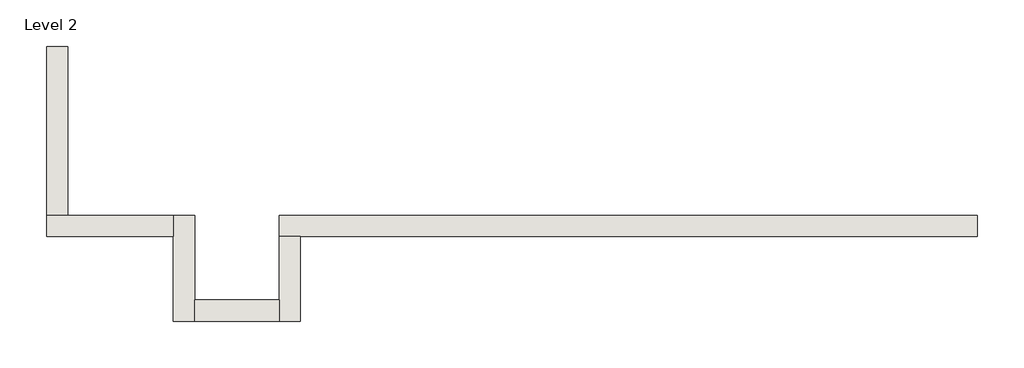
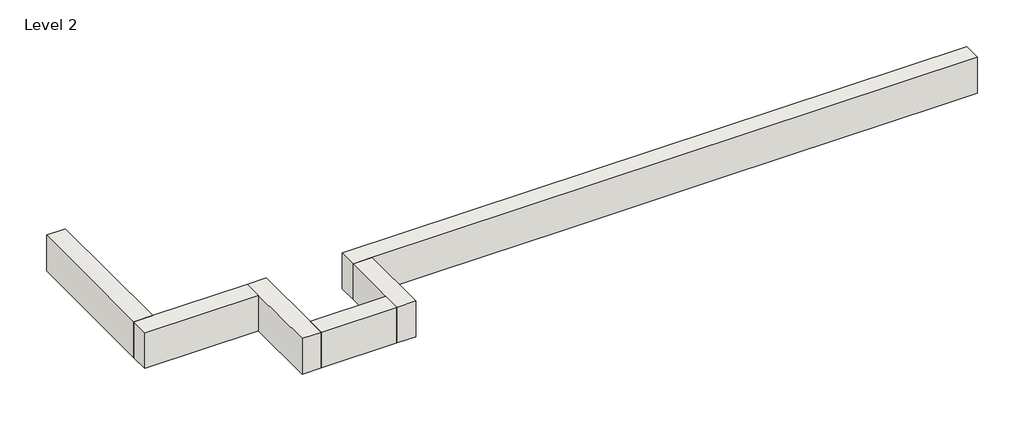
# One storey: 6 walls.
"""IFC4 building model written with IfcOpenShell, lengths in millimetres."""

from ifc_helpers import new_model, si_unit, frame, origin, place, context, project, spatial, polyline, outline, extrude, faceted_brep, element, save

model = new_model("IFC4")

# Units and contexts
model_context = context("Model", 3, world=origin())
ifc_project = project(units=[si_unit("LENGTHUNIT", "METRE", prefix="MILLI")], contexts=[model_context])

# Site, building, storey
site = spatial("IfcSite", under=ifc_project)
building = spatial("IfcBuilding", under=site)
storey = spatial("IfcBuildingStorey", under=building, Name="Level 2", Elevation=3048.0)

# Walls
placement = place(None, origin())
element("IfcWall", 1, ObjectType="Generic - 12\" Brick", at=placement, inside=storey, context=model_context, shape_type="Brep", body=[
    faceted_brep([(11582.357857, 1523.9976187, 3048.0), (10972.757857, 1523.9976187, 3048.0), (8534.357857, 1523.9976187, 3048.0), (7315.157857, 1523.9976187, 3048.0), (4876.757857, 1523.9976187, 3048.0), (3657.557857, 1523.9976187, 3048.0), (1523.9602383, 1523.9976187, 3048.0), (1523.9602383, 1523.9976187, 3657.6), (11582.357857, 1523.9976187, 3657.6), (11582.357857, 1219.1976187, 3048.0), (11582.357857, 1219.1976187, 3657.6), (1828.7602383, 1219.1976187, 3657.6), (1523.9602383, 1219.1976187, 3657.6), (1523.9602383, 1219.1976187, 3048.0), (1828.7602383, 1219.1976187, 3048.0), (3657.557857, 1219.1976187, 3048.0), (4876.757857, 1219.1976187, 3048.0), (7315.157857, 1219.1976187, 3048.0), (8534.357857, 1219.1976187, 3048.0), (10972.757857, 1219.1976187, 3048.0)], [[[0, 1, 2, 3, 4, 5, 6, 7, 8]], [[9, 10, 11, 12, 13, 14, 15, 16, 17, 18, 19]], [[6, 5, 4, 3, 2, 1, 0, 9, 19, 18, 17, 16, 15, 14, 13]], [[8, 7, 12, 11, 10]], [[0, 8, 10, 9]], [[7, 6, 13, 12]]]),
])
element("IfcWall", 2, ObjectType="Generic - 12\" Brick", at=placement, inside=storey, context=model_context, shape_type="Brep", body=[
    faceted_brep([(1523.9602383, 1219.1976187, 3048.0), (1523.9602383, 304.8, 3048.0), (1523.9602383, 0.0, 3048.0), (1523.9602383, 0.0, 3657.6), (1523.9602383, 304.8, 3657.6), (1523.9602383, 1219.1976187, 3657.6), (1828.7602383, 1219.1976187, 3048.0), (1828.7602383, 1219.1976187, 3657.6), (1828.7602383, 0.0, 3657.6), (1828.7602383, 0.0, 3048.0)], [[[0, 1, 2, 3, 4, 5]], [[6, 7, 8, 9]], [[2, 1, 0, 6, 9]], [[5, 4, 3, 8, 7]], [[0, 5, 7, 6]], [[3, 2, 9, 8]]]),
])
element("IfcWall", 3, ObjectType="Generic - 12\" Brick", at=placement, inside=storey, context=model_context, shape_type="SweptSolid", body=[
    extrude(outline(polyline([(304.757857, 304.8), (1523.9602383, 304.8), (1523.9602383, 0.0), (304.757857, 0.0), (304.757857, 304.8)])), frame((0.0, 0.0, 3048.0), z_axis=(0.0, 0.0, 1.0), x_axis=(1.0, 0.0, 0.0)), (0.0, 0.0, 1.0), 609.6),
])
element("IfcWall", 4, ObjectType="Generic - 12\" Brick", at=placement, inside=storey, context=model_context, shape_type="Brep", body=[
    faceted_brep([(304.757857, 0.0, 3048.0), (304.757857, 304.8, 3048.0), (304.757857, 1523.9976187, 3048.0), (304.757857, 1523.9976187, 3657.6), (304.757857, 304.8, 3657.6), (304.757857, 0.0, 3657.6), (-0.042143, 0.0, 3048.0), (-0.042143, 0.0, 3657.6), (-0.042143, 1219.1976187, 3657.6), (-0.042143, 1523.9976187, 3657.6), (-0.042143, 1523.9976187, 3048.0), (-0.042143, 1219.1976187, 3048.0)], [[[0, 1, 2, 3, 4, 5]], [[6, 7, 8, 9, 10, 11]], [[2, 1, 0, 6, 11, 10]], [[5, 4, 3, 9, 8, 7]], [[0, 5, 7, 6]], [[3, 2, 10, 9]]]),
])
element("IfcWall", 5, ObjectType="Generic - 12\" Brick", at=placement, inside=storey, context=model_context, shape_type="Brep", body=[
    faceted_brep([(-0.042143, 1523.9976187, 3048.0), (-1524.010393, 1523.9976187, 3048.0), (-1828.810393, 1523.9976187, 3048.0), (-1828.810393, 1523.9976187, 3657.6), (-1524.010393, 1523.9976187, 3657.6), (-0.042143, 1523.9976187, 3657.6), (-0.042143, 1219.1976187, 3048.0), (-0.042143, 1219.1976187, 3657.6), (-1828.810393, 1219.1976187, 3657.6), (-1828.810393, 1219.1976187, 3048.0)], [[[0, 1, 2, 3, 4, 5]], [[6, 7, 8, 9]], [[2, 1, 0, 6, 9]], [[5, 4, 3, 8, 7]], [[0, 5, 7, 6]], [[3, 2, 9, 8]]]),
])
element("IfcWall", 6, ObjectType="Generic - 12\" Brick", at=placement, inside=storey, context=model_context, shape_type="Brep", body=[
    faceted_brep([(-1524.010393, 1523.9976187, 3048.0), (-1524.010393, 3047.96825, 3048.0), (-1524.010393, 3962.36825, 3048.0), (-1524.010393, 3962.36825, 3657.6), (-1524.010393, 1523.9976187, 3657.6), (-1828.810393, 1523.9976187, 3048.0), (-1828.810393, 1523.9976187, 3657.6), (-1828.810393, 3962.36825, 3657.6), (-1828.810393, 3962.36825, 3048.0), (-1828.810393, 3047.96825, 3048.0)], [[[0, 1, 2, 3, 4]], [[5, 6, 7, 8, 9]], [[2, 1, 0, 5, 9, 8]], [[3, 2, 8, 7]], [[4, 3, 7, 6]], [[0, 4, 6, 5]]]),
])

save(model, "model.ifc")
